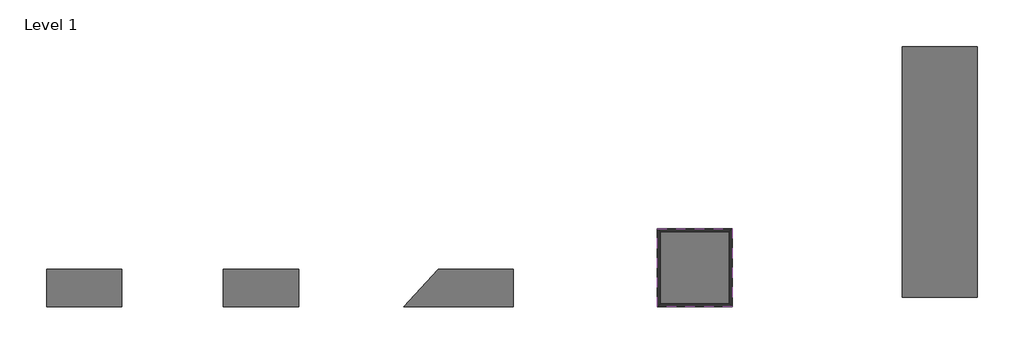
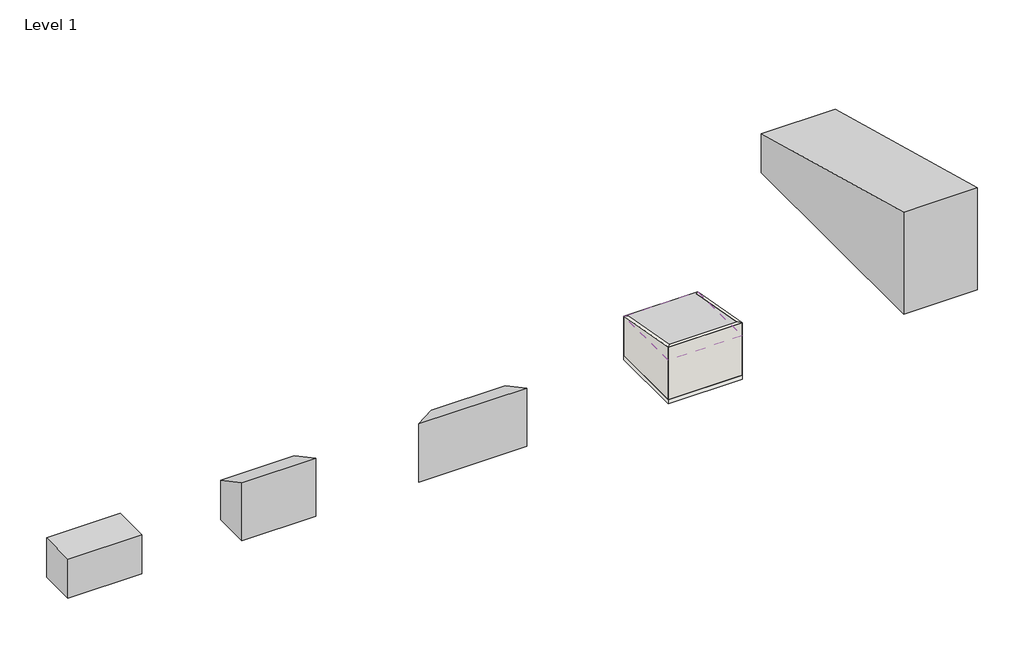
# One storey: 5 proxies, 4 walls, 1 roof, 1 slab.
"""IFC4 building model written with IfcOpenShell, lengths in millimetres."""

from ifc_helpers import new_model, si_unit, frame, origin, origin_with_axes, place, context, project, spatial, polyline, outline, extrude, faceted_brep, element, save

model = new_model("IFC4")

# Units and contexts
model_context = context("Model", 3, world=origin())
ifc_project = project(units=[si_unit("LENGTHUNIT", "METRE", prefix="MILLI")], contexts=[model_context])

# Site, building, storey
site = spatial("IfcSite", under=ifc_project)
building = spatial("IfcBuilding", under=site)
storey = spatial("IfcBuildingStorey", under=building, Name="Level 1", Elevation=0.0)

# Proxies
placement = place(None, origin())
element("IfcBuildingElementProxy", 1, Name="MOD-01 : A", ObjectType="MOD-01 : A", at=placement, inside=storey, context=model_context, shape_type="SweptSolid", body=[
    extrude(outline(polyline([(-4563.7483787, -7383.2036316), (-9363.7483787, -7383.2036316), (-9363.7483787, -4983.2036316), (-4563.7483787, -4983.2036316), (-4563.7483787, -7383.2036316)])), origin_with_axes(), (0.0, 0.0, 1.0), 2700.0),
])
element("IfcBuildingElementProxy", 2, Name="MOD-01 : A", ObjectType="MOD-01 : A", at=placement, inside=storey, context=model_context, shape_type="SweptSolid", body=[
    extrude(outline(polyline([(-7383.2036316, 0.0), (-7383.2036316, 4000.0), (-4983.2036316, 2700.0), (-4983.2036316, 0.0), (-7383.2036316, 0.0)])), frame((1936.2516213, 0.0, 0.0), z_axis=(1.0, 0.0, 0.0), x_axis=(0.0, 1.0, 0.0)), (0.0, 0.0, 1.0), 4800.0),
])
element("IfcBuildingElementProxy", 3, Name="MOD-01 : A", ObjectType="MOD-01 : A", at=placement, inside=storey, context=model_context, shape_type="Brep", body=[
    faceted_brep([(13436.2516213, -7383.2036316, 0.0), (13436.2516213, -7383.2036316, 4000.0), (15636.2516213, -4983.2036316, 2700.0), (15636.2516213, -4983.2036316, 0.0), (20436.2516213, -7383.2036316, 4000.0), (20436.2516213, -4983.2036316, 2700.0), (20436.2516213, -7383.2036316, 0.0), (20436.2516213, -4983.2036316, 0.0)], [[[0, 1, 2, 3]], [[1, 4, 5, 2]], [[4, 6, 7, 5]], [[6, 0, 3, 7]], [[5, 7, 3, 2]], [[0, 6, 4, 1]]]),
])
element("IfcBuildingElementProxy", 4, Name="MOD-01 : A", ObjectType="MOD-01 : A", at=placement, inside=storey, context=model_context, shape_type="SweptSolid", body=[
    extrude(outline(polyline([(-7383.2036316, 0.0), (-7383.2036316, 3600.0), (-2383.2036316, 2700.0), (-2383.2036316, 0.0), (-7383.2036316, 0.0)])), frame((29636.2516213, 0.0, 0.0), z_axis=(1.0, 0.0, 0.0), x_axis=(0.0, 1.0, 0.0)), (0.0, 0.0, 1.0), 4800.0),
])
element("IfcBuildingElementProxy", 5, Name="MOD-01 : A", ObjectType="MOD-01 : A", at=placement, inside=storey, context=model_context, shape_type="SweptSolid", body=[
    extrude(outline(polyline([(-6750.558828, 0.0), (-6750.558828, 7000.0), (9249.441172, 2700.0), (9249.441172, 0.0), (-6750.558828, 0.0)])), frame((45287.0476309, 0.0, 0.0), z_axis=(1.0, 0.0, 0.0), x_axis=(0.0, 1.0, 0.0)), (0.0, 0.0, 1.0), 4800.0),
])

# Roof
element("IfcRoof", 6, ObjectType="Roof 1", at=placement, inside=storey, context=model_context, shape_type="Brep", body=[
    faceted_brep([(29636.2516213, -7383.2036316, 3800.0), (29636.2516213, -7383.2036316, 3600.0), (32036.2516213, -7383.2036316, 3600.0), (32036.2516213, -7383.2036316, 3800.0), (34436.2516213, -7383.2036316, 3600.0), (34436.2516213, -7383.2036316, 3800.0), (34436.2516213, -4883.2036316, 3150.0), (34436.2516213, -4883.2036316, 3350.0), (34436.2516213, -2383.2036316, 2700.0), (34436.2516213, -2383.2036316, 2900.0), (32036.2516213, -2383.2036316, 2700.0), (32036.2516213, -2383.2036316, 2900.0), (29636.2516213, -2383.2036316, 2700.0), (29636.2516213, -2383.2036316, 2900.0), (29636.2516213, -4883.2036316, 3150.0), (29636.2516213, -4883.2036316, 3350.0)], [[[0, 1, 2, 3]], [[3, 2, 4, 5]], [[5, 4, 6, 7]], [[7, 6, 8, 9]], [[9, 8, 10, 11]], [[11, 10, 12, 13]], [[13, 12, 14, 15]], [[15, 14, 1, 0]], [[3, 5, 7, 9, 11, 13, 15, 0]], [[2, 1, 14, 12, 10, 8, 6, 4]]]),
])

# Slab
element("IfcSlab", 7, ObjectType="Foundation Slab 1", at=placement, inside=storey, context=model_context, shape_type="SweptSolid", body=[
    extrude(outline(polyline([(29636.2516213, -7383.2036316), (29636.2516213, -2383.2036316), (34436.2516213, -2383.2036316), (34436.2516213, -7383.2036316), (29636.2516213, -7383.2036316)])), frame((0.0, 0.0, -300.0), z_axis=(0.0, 0.0, 1.0), x_axis=(1.0, 0.0, 0.0)), (0.0, 0.0, 1.0), 300.0),
])

# Walls
element("IfcWall", 8, ObjectType="Wall 1", at=placement, inside=storey, context=model_context, shape_type="Brep", body=[
    faceted_brep([(29836.2516213, -7183.2036316, 0.0), (29836.2516213, -2583.2036316, 0.0), (29836.2516213, -2583.2036316, 2736.0), (29836.2516213, -7183.2036316, 3564.0), (29636.2516213, -7383.2036316, 0.0), (29636.2516213, -7383.2036316, 3600.0), (29636.2516213, -2383.2036316, 2700.0), (29636.2516213, -2383.2036316, 0.0)], [[[0, 1, 2, 3]], [[4, 5, 6, 7]], [[6, 5, 3, 2]], [[4, 7, 1, 0]], [[7, 6, 2, 1]], [[5, 4, 0, 3]]]),
])
element("IfcWall", 9, ObjectType="Wall 1", at=placement, inside=storey, context=model_context, shape_type="Brep", body=[
    faceted_brep([(34236.2516213, -7183.2036316, 3564.0), (34236.2516213, -2583.2036316, 2736.0), (34236.2516213, -2583.2036316, 0.0), (34236.2516213, -7183.2036316, 0.0), (34436.2516213, -7383.2036316, 3600.0), (34436.2516213, -7383.2036316, 0.0), (34436.2516213, -2383.2036316, 0.0), (34436.2516213, -2383.2036316, 2700.0)], [[[0, 1, 2, 3]], [[4, 5, 6, 7]], [[6, 5, 3, 2]], [[4, 7, 1, 0]], [[7, 6, 2, 1]], [[5, 4, 0, 3]]]),
])
element("IfcWall", 10, ObjectType="Wall 1", at=placement, inside=storey, context=model_context, shape_type="SweptSolid", body=[
    extrude(outline(polyline([(29636.2516213, -2383.2036316), (34436.2516213, -2383.2036316), (34236.2516213, -2583.2036316), (29836.2516213, -2583.2036316), (29636.2516213, -2383.2036316)])), origin_with_axes(), (0.0, 0.0, 1.0), 2700.0),
])
element("IfcWall", 11, ObjectType="Wall 1", at=placement, inside=storey, context=model_context, shape_type="SweptSolid", body=[
    extrude(outline(polyline([(34436.2516213, -7383.2036316), (29636.2516213, -7383.2036316), (29836.2516213, -7183.2036316), (34236.2516213, -7183.2036316), (34436.2516213, -7383.2036316)])), origin_with_axes(), (0.0, 0.0, 1.0), 3600.0),
])

save(model, "model.ifc")
